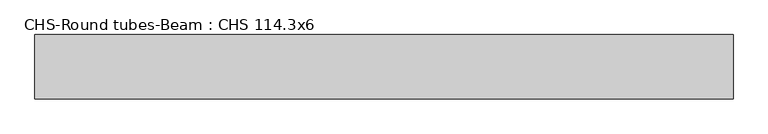
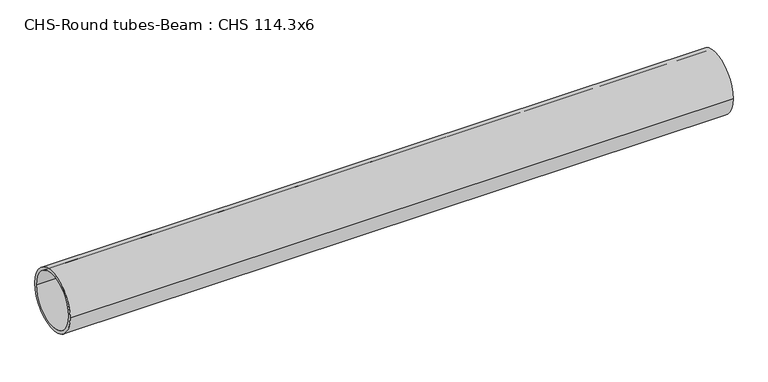
"""IFC4 building model written with IfcOpenShell, lengths in millimetres: beam geometry, CHS-Round tubes-Beam : CHS 114.3x6."""

from ifc_helpers import new_model, si_unit, point, frame, origin, origin_2d, place, context, project, spatial, circle_curve, trimmed, segment, composite_curve, outline, extrude, source, transform, mapped, element, save


def chs_round_tubes_beam_chs_114_3x6_f3e8c449(model_context):
    return source(origin(), model_context, "Body", "SweptSolid", [
        extrude(outline(composite_curve([segment(trimmed(circle_curve(origin_2d(), 57.15), [point((57.15, 0.0))], [point((-57.15, 0.0))], False, "CARTESIAN"), True, "CONTINUOUS"), segment(trimmed(circle_curve(origin_2d(), 57.15), [point((-57.15, 0.0))], [point((57.15, 0.0))], False, "CARTESIAN"), True, "CONTINUOUS")], self_intersect=False), holes=[composite_curve([segment(trimmed(circle_curve(origin_2d(), 51.15), [point((51.15, 0.0))], [point((-51.15, 0.0))], True, "CARTESIAN"), True, "CONTINUOUS"), segment(trimmed(circle_curve(origin_2d(), 51.15), [point((-51.15, 0.0))], [point((51.15, 0.0))], True, "CARTESIAN"), True, "CONTINUOUS")], self_intersect=False)]), frame((-623.0372026, 0.0, 0.0), z_axis=(1.0, 0.0, 0.0), x_axis=(0.0, 1.0, 0.0)), (0.0, 0.0, 1.0), 1241.0679366),
    ])


if __name__ == "__main__":
    model = new_model("IFC4")
    model_context = context("Model", 3, world=origin())
    ifc_project = project(units=[si_unit("LENGTHUNIT", "METRE", prefix="MILLI")], contexts=[model_context])
    site = spatial("IfcSite", under=ifc_project)
    building = spatial("IfcBuilding", under=site)
    placement = place(None, origin())
    chs_round_tubes_beam_chs_114_3x6_shape = chs_round_tubes_beam_chs_114_3x6_f3e8c449(model_context)
    element("IfcBeam", 1, ObjectType="CHS-Round tubes-Beam : CHS 114.3x6", at=placement, inside=building, context=model_context, shape_type="MappedRepresentation", body=[
        mapped(chs_round_tubes_beam_chs_114_3x6_shape, transform((0.0, 0.0, 0.0), x_axis=(1.0, 0.0, 0.0), y_axis=(0.0, 1.0, 0.0), z_axis=(0.0, 0.0, 1.0))),
    ])
    save(model, "model.ifc")
